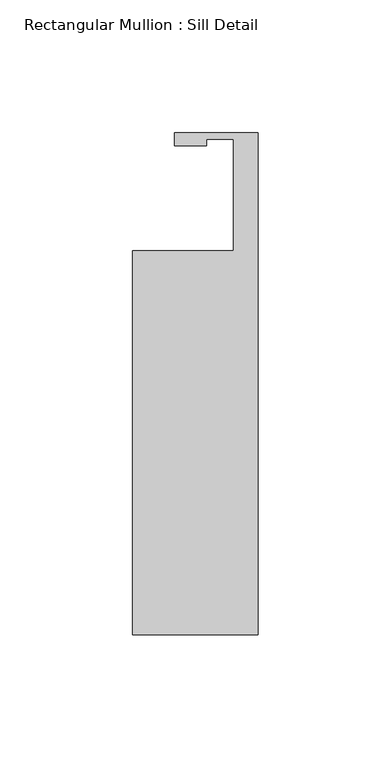
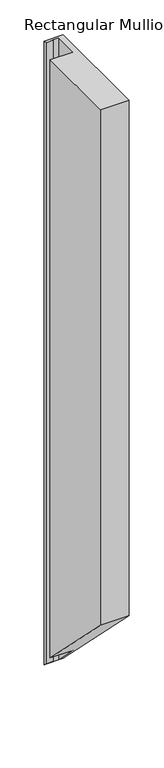
"""IFC4 building model written with IfcOpenShell, lengths in millimetres: member geometry, Rectangular Mullion : Sill Detail."""

import ifcopenshell
import ifcopenshell.guid

model = None  # the IFC model being written
_history = None  # IfcOwnerHistory: only IFC2X3 demands one
_inside = {}  # id of a spatial element -> (the spatial element, [elements in it])
_under = {}  # id of a project, library or spatial element -> (it, [spatial elements below it])
_declared = {}  # id of a project -> (the project, [libraries it declares])
_typed = {}  # id of a type object -> (the type object, [elements of that type])
_made_of = {}  # id of a material, layer set ... -> (it, [elements and type objects made of it])


def new_model(schema):
    """Start an empty IFC model of exactly this schema.

    Asked for "IFC4X3", IfcOpenShell would pick the latest addendum, in which some entities
    have other attributes; the version numbers below select the first issue.
    IFC2X3 requires an IfcOwnerHistory on every rooted entity: one is made here for all.
    """
    global model, _history
    if schema == "IFC4X3":
        model = ifcopenshell.file(schema_version=(4, 3, 0, 0))
    else:
        model = ifcopenshell.file(schema=schema)
    _inside.clear()
    _under.clear()
    _declared.clear()
    _typed.clear()
    _made_of.clear()
    _history = None
    if model.schema == "IFC2X3":
        org = make("IfcOrganization", Name="unknown")
        user = make(
            "IfcPersonAndOrganization",
            ThePerson=make("IfcPerson", FamilyName="unknown"),
            TheOrganization=org,
        )
        app = make(
            "IfcApplication",
            ApplicationDeveloper=org,
            Version="unknown",
            ApplicationFullName="unknown",
            ApplicationIdentifier="unknown",
        )
        _history = make(
            "IfcOwnerHistory",
            OwningUser=user,
            OwningApplication=app,
            ChangeAction="ADDED",
            CreationDate=0,
        )
    return model


def make(cls, **values):
    """One entity of the class cls with the attributes given. An attribute that is None is left unset."""
    return model.create_entity(
        cls, **{name: value for name, value in values.items() if value is not None}
    )


def rooted(cls, **values):
    """An entity with a GlobalId (a new one), such as an element, a storey or a relation."""
    return make(cls, GlobalId=ifcopenshell.guid.new(), OwnerHistory=_history, **values)


def si_unit(unit_type, name, prefix=None):
    """IfcSIUnit, for example si_unit("LENGTHUNIT", "METRE", prefix="MILLI")."""
    return make("IfcSIUnit", UnitType=unit_type, Prefix=prefix, Name=name)


def assignment(units):
    """IfcUnitAssignment: the units of a project."""
    return None if units is None else make("IfcUnitAssignment", Units=units)


def point(xyz):
    """IfcCartesianPoint."""
    return None if xyz is None else make("IfcCartesianPoint", Coordinates=xyz)


def direction(xyz):
    """IfcDirection."""
    return None if xyz is None else make("IfcDirection", DirectionRatios=xyz)


def frame(location, z_axis=None, x_axis=None):
    """IfcAxis2Placement3D, a coordinate frame: its origin and axes. An axis left out is left unset."""
    return make(
        "IfcAxis2Placement3D",
        Location=point(location),
        Axis=direction(z_axis),
        RefDirection=direction(x_axis),
    )


def origin():
    """The frame at (0, 0, 0) with its axes left unset."""
    return frame((0.0, 0.0, 0.0))


def place(relative_to, where):
    """IfcLocalPlacement: puts the frame where relative to a parent placement (None: the world)."""
    return make(
        "IfcLocalPlacement", PlacementRelTo=relative_to, RelativePlacement=where
    )


def context(
    kind, dimensions, precision=None, world=None, true_north=None, identifier=None
):
    """IfcGeometricRepresentationContext, for example the 3D "Model" context."""
    return make(
        "IfcGeometricRepresentationContext",
        ContextIdentifier=identifier,
        ContextType=kind,
        CoordinateSpaceDimension=dimensions,
        Precision=precision,
        WorldCoordinateSystem=world,
        TrueNorth=true_north,
    )


def project(units=None, contexts=None):
    """IfcProject with its units and contexts."""
    return rooted(
        "IfcProject",
        Name="project",
        RepresentationContexts=contexts,
        UnitsInContext=assignment(units),
    )


def spatial(cls, under=None, at=None, **own):
    """A site, building, storey or space (cls), placed at a placement, below another one or the project."""
    s = rooted(cls, ObjectPlacement=at, **own)
    if under is not None:
        _under.setdefault(under.id(), (under, []))[1].append(s)
    return s


def faces_of(points, faces, orient=None, outer=None):
    """IfcFace entities. A face is a list of loops; a loop is a list of indices into points, from 0.

    orient and outer hold one flag for each loop. By default every Orientation is true, the
    first loop of a face is its IfcFaceOuterBound and the others are IfcFaceBound.
    """
    made = []
    for i, loops in enumerate(faces):
        bounds = []
        for j, loop in enumerate(loops):
            is_outer = j == 0 if outer is None else outer[i][j]
            bounds.append(
                make(
                    "IfcFaceOuterBound" if is_outer else "IfcFaceBound",
                    Bound=make("IfcPolyLoop", Polygon=[points[k] for k in loop]),
                    Orientation=True if orient is None else orient[i][j],
                )
            )
        made.append(make("IfcFace", Bounds=bounds))
    return made


def faceted_brep(points, faces, orient=None, outer=None, voids=None):
    """IfcFacetedBrep: a solid bounded by flat faces; with voids (closed shells), ...WithVoids."""
    shared = [point(p) for p in points]
    hull = make("IfcClosedShell", CfsFaces=faces_of(shared, faces, orient, outer))
    if voids is None:
        return make("IfcFacetedBrep", Outer=hull)
    return make(
        "IfcFacetedBrepWithVoids",
        Outer=hull,
        Voids=[
            make(cls, CfsFaces=faces_of(shared, fs, o, b)) for cls, fs, o, b in voids
        ],
    )


def shape(context_of_items, identifier, shape_type, items):
    """IfcShapeRepresentation: the items that make up one representation, for example the "Body"."""
    return make(
        "IfcShapeRepresentation",
        ContextOfItems=context_of_items,
        RepresentationIdentifier=identifier,
        RepresentationType=shape_type,
        Items=items,
    )


def source(mapping_origin, context_of_items, identifier, shape_type, items):
    """IfcRepresentationMap: a shape defined once, which mapped items show again and again."""
    return make(
        "IfcRepresentationMap",
        MappingOrigin=mapping_origin,
        MappedRepresentation=shape(context_of_items, identifier, shape_type, items),
    )


def transform(
    local_origin,
    x_axis=None,
    y_axis=None,
    z_axis=None,
    scale=None,
    scale2=None,
    scale3=None,
    uniform=True,
):
    """IfcCartesianTransformationOperator3D, or its non-uniform kind. x_axis, y_axis, z_axis: its Axis1, 2, 3."""
    if uniform:
        return make(
            "IfcCartesianTransformationOperator3D",
            Axis1=direction(x_axis),
            Axis2=direction(y_axis),
            LocalOrigin=point(local_origin),
            Scale=scale,
            Axis3=direction(z_axis),
        )
    return make(
        "IfcCartesianTransformationOperator3DnonUniform",
        Axis1=direction(x_axis),
        Axis2=direction(y_axis),
        LocalOrigin=point(local_origin),
        Scale=scale,
        Axis3=direction(z_axis),
        Scale2=scale2,
        Scale3=scale3,
    )


def mapped(mapping_source, mapping_target):
    """IfcMappedItem: shows the shape of a source again, moved by a transform."""
    return make(
        "IfcMappedItem", MappingSource=mapping_source, MappingTarget=mapping_target
    )


def made_of(thing, what):
    """Note that an element or type object is made of a material, layer set ...; save() writes the relation."""
    if what is not None:
        _made_of.setdefault(what.id(), (what, []))[1].append(thing)
    return thing


def element(
    cls,
    number,
    at=None,
    inside=None,
    cuts=None,
    type_object=None,
    material=None,
    context=None,
    identifier="Body",
    shape_type=None,
    held_by="IfcProductDefinitionShape",
    body=None,
    shapes=None,
    **own,
):
    """One element of the class cls, such as IfcWall. Its Tag is "e" and its number.

    at: its placement. inside: the storey or other place that contains it. cuts: it is an
    opening in that element (IfcRelVoidsElement). A single representation is given by context,
    identifier, shape_type and body (its items); several are given by shapes. held_by: the class
    of the entity that holds the representations. save() writes the other relations.
    """
    e = rooted(cls, Tag="e%d" % number, ObjectPlacement=at, **own)
    if body is not None:
        shapes = [shape(context, identifier, shape_type, body)]
    if shapes is not None:
        e.Representation = make(held_by, Representations=shapes)
    if inside is not None:
        _inside.setdefault(inside.id(), (inside, []))[1].append(e)
    if cuts is not None:
        rooted(
            "IfcRelVoidsElement", RelatingBuildingElement=cuts, RelatedOpeningElement=e
        )
    if type_object is not None:
        _typed.setdefault(type_object.id(), (type_object, []))[1].append(e)
    return made_of(e, material)


def aggregate(whole, parts):
    """IfcRelAggregates: a whole, such as a stair, and the parts it consists of."""
    return rooted("IfcRelAggregates", RelatingObject=whole, RelatedObjects=parts)


def save(model, path):
    """Write the relations noted so far, then the file.

    IfcRelAggregates (storeys below a building ...), IfcRelContainedInSpatialStructure (elements
    in a storey), IfcRelDefinesByType, IfcRelAssociatesMaterial and IfcRelDeclares: one each for
    every whole, place, type object, material and project.
    """
    for whole, parts in _under.values():
        aggregate(whole, parts)
    for where, things in _inside.values():
        rooted(
            "IfcRelContainedInSpatialStructure",
            RelatedElements=things,
            RelatingStructure=where,
        )
    for kind, things in _typed.values():
        rooted("IfcRelDefinesByType", RelatedObjects=things, RelatingType=kind)
    for what, things in _made_of.values():
        rooted("IfcRelAssociatesMaterial", RelatedObjects=things, RelatingMaterial=what)
    for by, libraries in _declared.values():
        rooted("IfcRelDeclares", RelatingContext=by, RelatedDefinitions=libraries)
    model.write(path)


def rectangular_mullion_sill_detail_c37bfd20(model_context):
    return source(origin(), model_context, "Body", "Brep", [
        faceted_brep([(0.0, -163.9062, 0.0), (0.0, 25.3938484, 0.0), (-31.548507, 25.3938484, 0.0), (-31.548507, 20.5040579, 0.0), (-19.4611625, 20.5040579, 0.0), (-19.4611625, 22.86, 0.0), (-9.3265625, 22.86, 0.0), (-9.3265625, -19.05, 0.0), (-47.4265625, -19.05, 0.0), (-47.4265625, -163.9062, 0.0), (0.0, -163.9062, -906.2557265), (0.0, 25.3938484, -1095.5557749), (-31.548507, 25.3938484, -1095.5557749), (-31.548507, 20.5040579, -1090.6659845), (-19.4611625, 20.5040579, -1090.6659845), (-19.4611625, 22.86, -1093.0219265), (-9.3265625, 22.86, -1093.0219265), (-9.3265625, -19.05, -1051.1119265), (-47.4265625, -19.05, -1051.1119265), (-47.4265625, -163.9062, -906.2557265)], [[[0, 1, 2, 3, 4, 5, 6, 7, 8, 9]], [[1, 0, 10, 11]], [[2, 1, 11, 12]], [[3, 2, 12, 13]], [[4, 3, 13, 14]], [[5, 4, 14, 15]], [[6, 5, 15, 16]], [[7, 6, 16, 17]], [[8, 7, 17, 18]], [[9, 8, 18, 19]], [[0, 9, 19, 10]], [[10, 19, 18, 17, 16, 15, 14, 13, 12, 11]]]),
    ])


if __name__ == "__main__":
    model = new_model("IFC4")
    model_context = context("Model", 3, world=origin())
    ifc_project = project(units=[si_unit("LENGTHUNIT", "METRE", prefix="MILLI")], contexts=[model_context])
    site = spatial("IfcSite", under=ifc_project)
    building = spatial("IfcBuilding", under=site)
    placement = place(None, origin())
    rectangular_mullion_sill_detail_shape = rectangular_mullion_sill_detail_c37bfd20(model_context)
    element("IfcMember", 1, ObjectType="Rectangular Mullion : Sill Detail", at=placement, inside=building, context=model_context, shape_type="MappedRepresentation", body=[
        mapped(rectangular_mullion_sill_detail_shape, transform((0.0, 0.0, 0.0), x_axis=(1.0, 0.0, 0.0), y_axis=(0.0, 1.0, 0.0), z_axis=(0.0, 0.0, 1.0))),
    ])
    save(model, "model.ifc")
